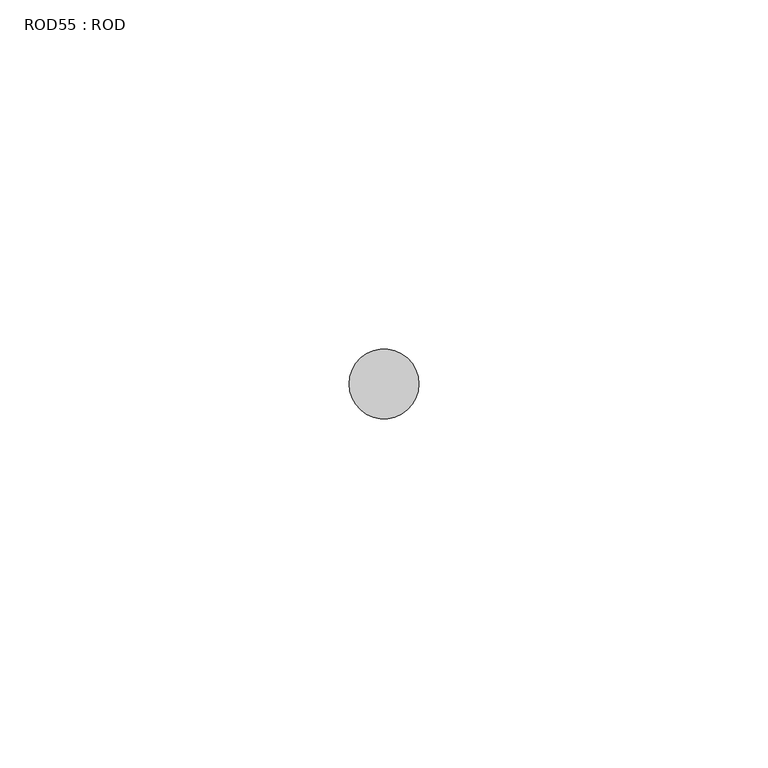
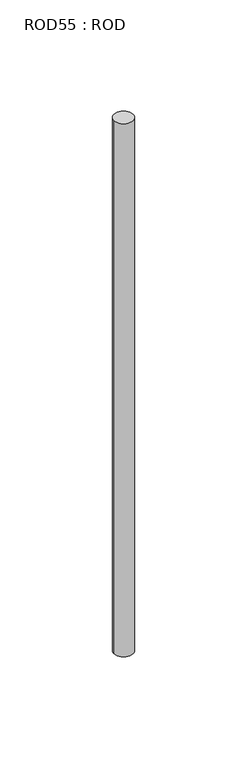
"""IFC4 building model written with IfcOpenShell, lengths in millimetres: proxy geometry, ROD55 : ROD."""

from ifc_helpers import new_model, si_unit, point, frame, frame_2d, origin, place, context, project, spatial, circle_curve, trimmed, segment, composite_curve, outline, extrude, source, transform, mapped, element, save


def rod55_rod_58cbf942(model_context):
    return source(origin(), model_context, "Body", "SweptSolid", [
        extrude(outline(composite_curve([segment(trimmed(circle_curve(frame_2d((6332.7784384, -1114.6300853)), 5.0), [point((6327.7784384, -1114.6300853))], [point((6337.7784384, -1114.6300853))], False, "CARTESIAN"), True, "CONTINUOUS"), segment(trimmed(circle_curve(frame_2d((6332.7784384, -1114.6300853)), 5.0), [point((6337.7784384, -1114.6300853))], [point((6327.7784384, -1114.6300853))], False, "CARTESIAN"), True, "CONTINUOUS")], self_intersect=False)), frame((0.0, 0.0, -208.6608845), z_axis=(0.0, 0.0, 1.0), x_axis=(1.0, 0.0, 0.0)), (0.0, 0.0, 1.0), 298.9028972),
    ])


if __name__ == "__main__":
    model = new_model("IFC4")
    model_context = context("Model", 3, world=origin())
    ifc_project = project(units=[si_unit("LENGTHUNIT", "METRE", prefix="MILLI")], contexts=[model_context])
    site = spatial("IfcSite", under=ifc_project)
    building = spatial("IfcBuilding", under=site)
    placement = place(None, origin())
    rod55_rod_shape = rod55_rod_58cbf942(model_context)
    element("IfcBuildingElementProxy", 1, Name="ROD55 : ROD", ObjectType="ROD55 : ROD", at=placement, inside=building, context=model_context, shape_type="MappedRepresentation", body=[
        mapped(rod55_rod_shape, transform((0.0, 0.0, 0.0), x_axis=(1.0, 0.0, 0.0), y_axis=(0.0, 1.0, 0.0), z_axis=(0.0, 0.0, 1.0))),
    ])
    save(model, "model.ifc")
